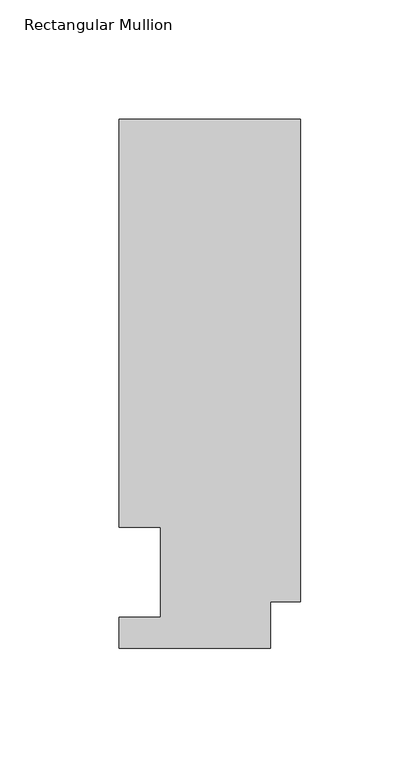
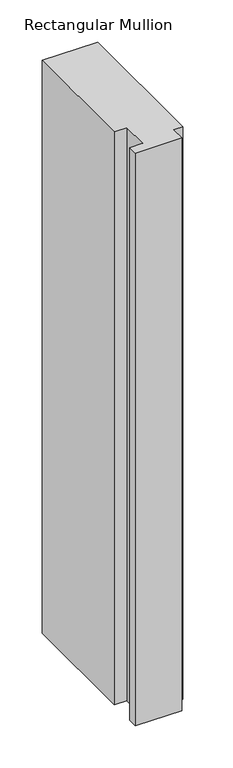
"""IFC4 building model written with IfcOpenShell, lengths in millimetres: member geometry, Rectangular Mullion."""

import ifcopenshell
import ifcopenshell.guid

model = None  # the IFC model being written
_history = None  # IfcOwnerHistory: only IFC2X3 demands one
_inside = {}  # id of a spatial element -> (the spatial element, [elements in it])
_under = {}  # id of a project, library or spatial element -> (it, [spatial elements below it])
_declared = {}  # id of a project -> (the project, [libraries it declares])
_typed = {}  # id of a type object -> (the type object, [elements of that type])
_made_of = {}  # id of a material, layer set ... -> (it, [elements and type objects made of it])


def new_model(schema):
    """Start an empty IFC model of exactly this schema.

    Asked for "IFC4X3", IfcOpenShell would pick the latest addendum, in which some entities
    have other attributes; the version numbers below select the first issue.
    IFC2X3 requires an IfcOwnerHistory on every rooted entity: one is made here for all.
    """
    global model, _history
    if schema == "IFC4X3":
        model = ifcopenshell.file(schema_version=(4, 3, 0, 0))
    else:
        model = ifcopenshell.file(schema=schema)
    _inside.clear()
    _under.clear()
    _declared.clear()
    _typed.clear()
    _made_of.clear()
    _history = None
    if model.schema == "IFC2X3":
        org = make("IfcOrganization", Name="unknown")
        user = make(
            "IfcPersonAndOrganization",
            ThePerson=make("IfcPerson", FamilyName="unknown"),
            TheOrganization=org,
        )
        app = make(
            "IfcApplication",
            ApplicationDeveloper=org,
            Version="unknown",
            ApplicationFullName="unknown",
            ApplicationIdentifier="unknown",
        )
        _history = make(
            "IfcOwnerHistory",
            OwningUser=user,
            OwningApplication=app,
            ChangeAction="ADDED",
            CreationDate=0,
        )
    return model


def make(cls, **values):
    """One entity of the class cls with the attributes given. An attribute that is None is left unset."""
    return model.create_entity(
        cls, **{name: value for name, value in values.items() if value is not None}
    )


def rooted(cls, **values):
    """An entity with a GlobalId (a new one), such as an element, a storey or a relation."""
    return make(cls, GlobalId=ifcopenshell.guid.new(), OwnerHistory=_history, **values)


def si_unit(unit_type, name, prefix=None):
    """IfcSIUnit, for example si_unit("LENGTHUNIT", "METRE", prefix="MILLI")."""
    return make("IfcSIUnit", UnitType=unit_type, Prefix=prefix, Name=name)


def assignment(units):
    """IfcUnitAssignment: the units of a project."""
    return None if units is None else make("IfcUnitAssignment", Units=units)


def point(xyz):
    """IfcCartesianPoint."""
    return None if xyz is None else make("IfcCartesianPoint", Coordinates=xyz)


def direction(xyz):
    """IfcDirection."""
    return None if xyz is None else make("IfcDirection", DirectionRatios=xyz)


def frame(location, z_axis=None, x_axis=None):
    """IfcAxis2Placement3D, a coordinate frame: its origin and axes. An axis left out is left unset."""
    return make(
        "IfcAxis2Placement3D",
        Location=point(location),
        Axis=direction(z_axis),
        RefDirection=direction(x_axis),
    )


def origin():
    """The frame at (0, 0, 0) with its axes left unset."""
    return frame((0.0, 0.0, 0.0))


def place(relative_to, where):
    """IfcLocalPlacement: puts the frame where relative to a parent placement (None: the world)."""
    return make(
        "IfcLocalPlacement", PlacementRelTo=relative_to, RelativePlacement=where
    )


def context(
    kind, dimensions, precision=None, world=None, true_north=None, identifier=None
):
    """IfcGeometricRepresentationContext, for example the 3D "Model" context."""
    return make(
        "IfcGeometricRepresentationContext",
        ContextIdentifier=identifier,
        ContextType=kind,
        CoordinateSpaceDimension=dimensions,
        Precision=precision,
        WorldCoordinateSystem=world,
        TrueNorth=true_north,
    )


def project(units=None, contexts=None):
    """IfcProject with its units and contexts."""
    return rooted(
        "IfcProject",
        Name="project",
        RepresentationContexts=contexts,
        UnitsInContext=assignment(units),
    )


def spatial(cls, under=None, at=None, **own):
    """A site, building, storey or space (cls), placed at a placement, below another one or the project."""
    s = rooted(cls, ObjectPlacement=at, **own)
    if under is not None:
        _under.setdefault(under.id(), (under, []))[1].append(s)
    return s


def polyline(points):
    """IfcPolyline through the points."""
    return make("IfcPolyline", Points=[point(p) for p in points])


def outline(outer, holes=None, kind="AREA"):
    """IfcArbitraryClosedProfileDef: a profile drawn as a closed curve; with holes, ...WithVoids."""
    if holes is None:
        return make("IfcArbitraryClosedProfileDef", ProfileType=kind, OuterCurve=outer)
    return make(
        "IfcArbitraryProfileDefWithVoids",
        ProfileType=kind,
        OuterCurve=outer,
        InnerCurves=holes,
    )


def extrude(swept, where, along, depth):
    """IfcExtrudedAreaSolid: the profile swept, set in the frame where, extruded along a direction by depth."""
    return make(
        "IfcExtrudedAreaSolid",
        SweptArea=swept,
        Position=where,
        ExtrudedDirection=direction(along),
        Depth=depth,
    )


def shape(context_of_items, identifier, shape_type, items):
    """IfcShapeRepresentation: the items that make up one representation, for example the "Body"."""
    return make(
        "IfcShapeRepresentation",
        ContextOfItems=context_of_items,
        RepresentationIdentifier=identifier,
        RepresentationType=shape_type,
        Items=items,
    )


def source(mapping_origin, context_of_items, identifier, shape_type, items):
    """IfcRepresentationMap: a shape defined once, which mapped items show again and again."""
    return make(
        "IfcRepresentationMap",
        MappingOrigin=mapping_origin,
        MappedRepresentation=shape(context_of_items, identifier, shape_type, items),
    )


def transform(
    local_origin,
    x_axis=None,
    y_axis=None,
    z_axis=None,
    scale=None,
    scale2=None,
    scale3=None,
    uniform=True,
):
    """IfcCartesianTransformationOperator3D, or its non-uniform kind. x_axis, y_axis, z_axis: its Axis1, 2, 3."""
    if uniform:
        return make(
            "IfcCartesianTransformationOperator3D",
            Axis1=direction(x_axis),
            Axis2=direction(y_axis),
            LocalOrigin=point(local_origin),
            Scale=scale,
            Axis3=direction(z_axis),
        )
    return make(
        "IfcCartesianTransformationOperator3DnonUniform",
        Axis1=direction(x_axis),
        Axis2=direction(y_axis),
        LocalOrigin=point(local_origin),
        Scale=scale,
        Axis3=direction(z_axis),
        Scale2=scale2,
        Scale3=scale3,
    )


def mapped(mapping_source, mapping_target):
    """IfcMappedItem: shows the shape of a source again, moved by a transform."""
    return make(
        "IfcMappedItem", MappingSource=mapping_source, MappingTarget=mapping_target
    )


def made_of(thing, what):
    """Note that an element or type object is made of a material, layer set ...; save() writes the relation."""
    if what is not None:
        _made_of.setdefault(what.id(), (what, []))[1].append(thing)
    return thing


def element(
    cls,
    number,
    at=None,
    inside=None,
    cuts=None,
    type_object=None,
    material=None,
    context=None,
    identifier="Body",
    shape_type=None,
    held_by="IfcProductDefinitionShape",
    body=None,
    shapes=None,
    **own,
):
    """One element of the class cls, such as IfcWall. Its Tag is "e" and its number.

    at: its placement. inside: the storey or other place that contains it. cuts: it is an
    opening in that element (IfcRelVoidsElement). A single representation is given by context,
    identifier, shape_type and body (its items); several are given by shapes. held_by: the class
    of the entity that holds the representations. save() writes the other relations.
    """
    e = rooted(cls, Tag="e%d" % number, ObjectPlacement=at, **own)
    if body is not None:
        shapes = [shape(context, identifier, shape_type, body)]
    if shapes is not None:
        e.Representation = make(held_by, Representations=shapes)
    if inside is not None:
        _inside.setdefault(inside.id(), (inside, []))[1].append(e)
    if cuts is not None:
        rooted(
            "IfcRelVoidsElement", RelatingBuildingElement=cuts, RelatedOpeningElement=e
        )
    if type_object is not None:
        _typed.setdefault(type_object.id(), (type_object, []))[1].append(e)
    return made_of(e, material)


def aggregate(whole, parts):
    """IfcRelAggregates: a whole, such as a stair, and the parts it consists of."""
    return rooted("IfcRelAggregates", RelatingObject=whole, RelatedObjects=parts)


def save(model, path):
    """Write the relations noted so far, then the file.

    IfcRelAggregates (storeys below a building ...), IfcRelContainedInSpatialStructure (elements
    in a storey), IfcRelDefinesByType, IfcRelAssociatesMaterial and IfcRelDeclares: one each for
    every whole, place, type object, material and project.
    """
    for whole, parts in _under.values():
        aggregate(whole, parts)
    for where, things in _inside.values():
        rooted(
            "IfcRelContainedInSpatialStructure",
            RelatedElements=things,
            RelatingStructure=where,
        )
    for kind, things in _typed.values():
        rooted("IfcRelDefinesByType", RelatedObjects=things, RelatingType=kind)
    for what, things in _made_of.values():
        rooted("IfcRelAssociatesMaterial", RelatedObjects=things, RelatingMaterial=what)
    for by, libraries in _declared.values():
        rooted("IfcRelDeclares", RelatingContext=by, RelatedDefinitions=libraries)
    model.write(path)


def rectangular_mullion_e0bafe21(model_context):
    return source(origin(), model_context, "Body", "SweptSolid", [
        extrude(outline(polyline([(-76.2000001, 222.0301312), (0.0, 222.0301312), (0.0, 19.5667312), (-12.7, 19.5667312), (-12.7, 0.041758), (-76.2, 0.041758), (-76.2, 13.224358), (-58.7676635, 13.224358), (-58.7676635, 50.820278), (-76.2000001, 50.820278), (-76.2000001, 222.0301312)])), frame((0.0, 0.0, -831.6301312), z_axis=(0.0, 0.0, 1.0), x_axis=(1.0, 0.0, 0.0)), (0.0, 0.0, 1.0), 831.6301312),
    ])


if __name__ == "__main__":
    model = new_model("IFC4")
    model_context = context("Model", 3, world=origin())
    ifc_project = project(units=[si_unit("LENGTHUNIT", "METRE", prefix="MILLI")], contexts=[model_context])
    site = spatial("IfcSite", under=ifc_project)
    building = spatial("IfcBuilding", under=site)
    placement = place(None, origin())
    rectangular_mullion_shape = rectangular_mullion_e0bafe21(model_context)
    element("IfcMember", 1, ObjectType="Rectangular Mullion", at=placement, inside=building, context=model_context, shape_type="MappedRepresentation", body=[
        mapped(rectangular_mullion_shape, transform((0.0, 0.0, 0.0), x_axis=(1.0, 0.0, 0.0), y_axis=(0.0, 1.0, 0.0), z_axis=(0.0, 0.0, 1.0))),
    ])
    save(model, "model.ifc")
